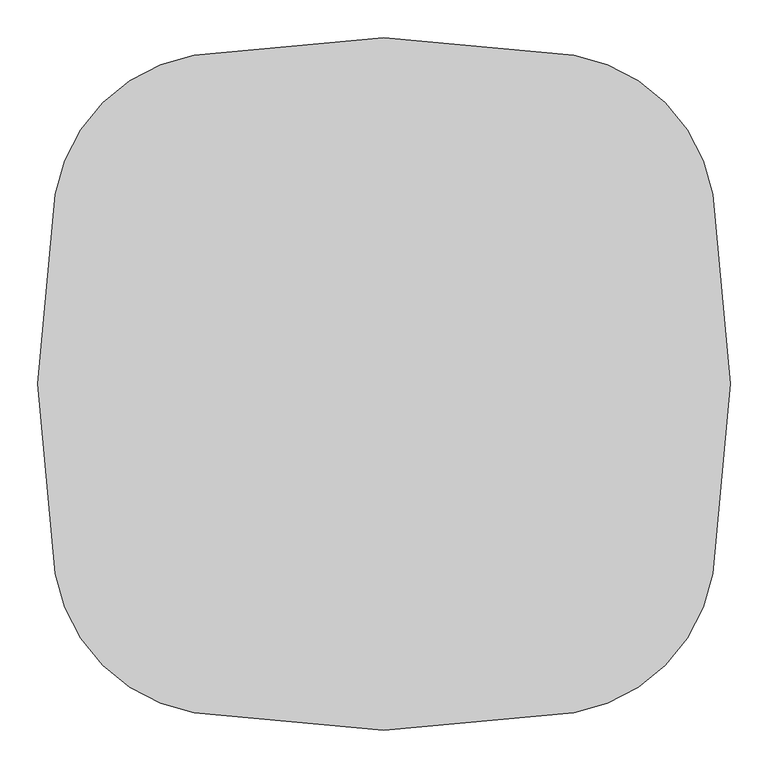
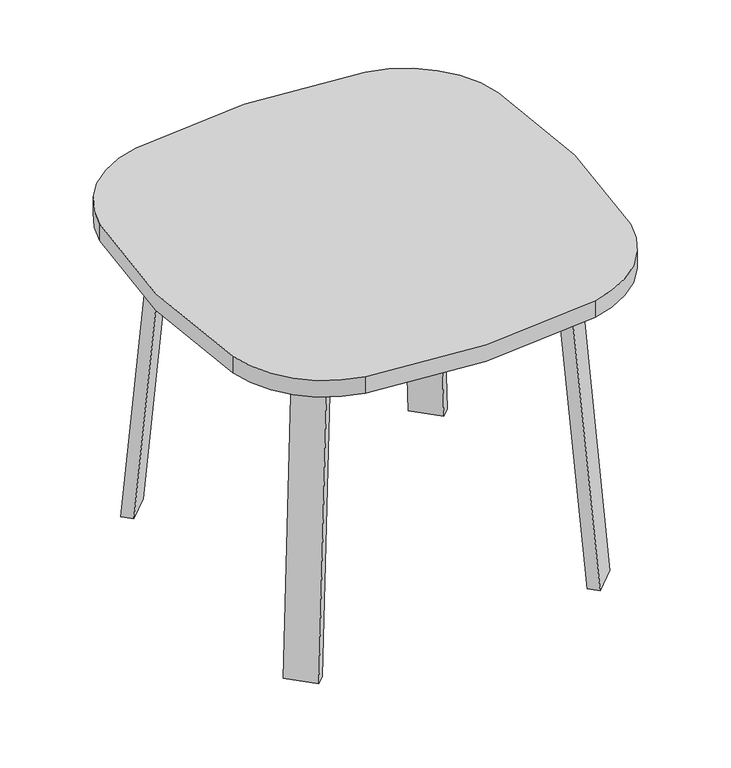
"""IFC4 building model written with IfcOpenShell, lengths in millimetres: furniture geometry."""

import ifcopenshell
import ifcopenshell.guid

model = None  # the IFC model being written
_history = None  # IfcOwnerHistory: only IFC2X3 demands one
_inside = {}  # id of a spatial element -> (the spatial element, [elements in it])
_under = {}  # id of a project, library or spatial element -> (it, [spatial elements below it])
_declared = {}  # id of a project -> (the project, [libraries it declares])
_typed = {}  # id of a type object -> (the type object, [elements of that type])
_made_of = {}  # id of a material, layer set ... -> (it, [elements and type objects made of it])


def new_model(schema):
    """Start an empty IFC model of exactly this schema.

    Asked for "IFC4X3", IfcOpenShell would pick the latest addendum, in which some entities
    have other attributes; the version numbers below select the first issue.
    IFC2X3 requires an IfcOwnerHistory on every rooted entity: one is made here for all.
    """
    global model, _history
    if schema == "IFC4X3":
        model = ifcopenshell.file(schema_version=(4, 3, 0, 0))
    else:
        model = ifcopenshell.file(schema=schema)
    _inside.clear()
    _under.clear()
    _declared.clear()
    _typed.clear()
    _made_of.clear()
    _history = None
    if model.schema == "IFC2X3":
        org = make("IfcOrganization", Name="unknown")
        user = make(
            "IfcPersonAndOrganization",
            ThePerson=make("IfcPerson", FamilyName="unknown"),
            TheOrganization=org,
        )
        app = make(
            "IfcApplication",
            ApplicationDeveloper=org,
            Version="unknown",
            ApplicationFullName="unknown",
            ApplicationIdentifier="unknown",
        )
        _history = make(
            "IfcOwnerHistory",
            OwningUser=user,
            OwningApplication=app,
            ChangeAction="ADDED",
            CreationDate=0,
        )
    return model


def make(cls, **values):
    """One entity of the class cls with the attributes given. An attribute that is None is left unset."""
    return model.create_entity(
        cls, **{name: value for name, value in values.items() if value is not None}
    )


def rooted(cls, **values):
    """An entity with a GlobalId (a new one), such as an element, a storey or a relation."""
    return make(cls, GlobalId=ifcopenshell.guid.new(), OwnerHistory=_history, **values)


def si_unit(unit_type, name, prefix=None):
    """IfcSIUnit, for example si_unit("LENGTHUNIT", "METRE", prefix="MILLI")."""
    return make("IfcSIUnit", UnitType=unit_type, Prefix=prefix, Name=name)


def assignment(units):
    """IfcUnitAssignment: the units of a project."""
    return None if units is None else make("IfcUnitAssignment", Units=units)


def point(xyz):
    """IfcCartesianPoint."""
    return None if xyz is None else make("IfcCartesianPoint", Coordinates=xyz)


def direction(xyz):
    """IfcDirection."""
    return None if xyz is None else make("IfcDirection", DirectionRatios=xyz)


def frame(location, z_axis=None, x_axis=None):
    """IfcAxis2Placement3D, a coordinate frame: its origin and axes. An axis left out is left unset."""
    return make(
        "IfcAxis2Placement3D",
        Location=point(location),
        Axis=direction(z_axis),
        RefDirection=direction(x_axis),
    )


def frame_2d(location, x_axis=None):
    """IfcAxis2Placement2D, a coordinate frame in the plane: its origin and x axis."""
    return make(
        "IfcAxis2Placement2D", Location=point(location), RefDirection=direction(x_axis)
    )


def origin():
    """The frame at (0, 0, 0) with its axes left unset."""
    return frame((0.0, 0.0, 0.0))


def place(relative_to, where):
    """IfcLocalPlacement: puts the frame where relative to a parent placement (None: the world)."""
    return make(
        "IfcLocalPlacement", PlacementRelTo=relative_to, RelativePlacement=where
    )


def context(
    kind, dimensions, precision=None, world=None, true_north=None, identifier=None
):
    """IfcGeometricRepresentationContext, for example the 3D "Model" context."""
    return make(
        "IfcGeometricRepresentationContext",
        ContextIdentifier=identifier,
        ContextType=kind,
        CoordinateSpaceDimension=dimensions,
        Precision=precision,
        WorldCoordinateSystem=world,
        TrueNorth=true_north,
    )


def project(units=None, contexts=None):
    """IfcProject with its units and contexts."""
    return rooted(
        "IfcProject",
        Name="project",
        RepresentationContexts=contexts,
        UnitsInContext=assignment(units),
    )


def spatial(cls, under=None, at=None, **own):
    """A site, building, storey or space (cls), placed at a placement, below another one or the project."""
    s = rooted(cls, ObjectPlacement=at, **own)
    if under is not None:
        _under.setdefault(under.id(), (under, []))[1].append(s)
    return s


def polyline(points):
    """IfcPolyline through the points."""
    return make("IfcPolyline", Points=[point(p) for p in points])


def circle_curve(where, radius):
    """IfcCircle in the frame where."""
    return make("IfcCircle", Position=where, Radius=radius)


def trimmed(basis, trim1, trim2, sense, master):
    """IfcTrimmedCurve: the piece of a basis curve between two trims."""
    return make(
        "IfcTrimmedCurve",
        BasisCurve=basis,
        Trim1=trim1,
        Trim2=trim2,
        SenseAgreement=sense,
        MasterRepresentation=master,
    )


def segment(curve, same_sense, transition):
    """IfcCompositeCurveSegment."""
    return make(
        "IfcCompositeCurveSegment",
        Transition=transition,
        SameSense=same_sense,
        ParentCurve=curve,
    )


def composite_curve(segments, self_intersect=None):
    """IfcCompositeCurve: segments joined end to end."""
    return make("IfcCompositeCurve", Segments=segments, SelfIntersect=self_intersect)


def outline(outer, holes=None, kind="AREA"):
    """IfcArbitraryClosedProfileDef: a profile drawn as a closed curve; with holes, ...WithVoids."""
    if holes is None:
        return make("IfcArbitraryClosedProfileDef", ProfileType=kind, OuterCurve=outer)
    return make(
        "IfcArbitraryProfileDefWithVoids",
        ProfileType=kind,
        OuterCurve=outer,
        InnerCurves=holes,
    )


def extrude(swept, where, along, depth):
    """IfcExtrudedAreaSolid: the profile swept, set in the frame where, extruded along a direction by depth."""
    return make(
        "IfcExtrudedAreaSolid",
        SweptArea=swept,
        Position=where,
        ExtrudedDirection=direction(along),
        Depth=depth,
    )


def faces_of(points, faces, orient=None, outer=None):
    """IfcFace entities. A face is a list of loops; a loop is a list of indices into points, from 0.

    orient and outer hold one flag for each loop. By default every Orientation is true, the
    first loop of a face is its IfcFaceOuterBound and the others are IfcFaceBound.
    """
    made = []
    for i, loops in enumerate(faces):
        bounds = []
        for j, loop in enumerate(loops):
            is_outer = j == 0 if outer is None else outer[i][j]
            bounds.append(
                make(
                    "IfcFaceOuterBound" if is_outer else "IfcFaceBound",
                    Bound=make("IfcPolyLoop", Polygon=[points[k] for k in loop]),
                    Orientation=True if orient is None else orient[i][j],
                )
            )
        made.append(make("IfcFace", Bounds=bounds))
    return made


def faceted_brep(points, faces, orient=None, outer=None, voids=None):
    """IfcFacetedBrep: a solid bounded by flat faces; with voids (closed shells), ...WithVoids."""
    shared = [point(p) for p in points]
    hull = make("IfcClosedShell", CfsFaces=faces_of(shared, faces, orient, outer))
    if voids is None:
        return make("IfcFacetedBrep", Outer=hull)
    return make(
        "IfcFacetedBrepWithVoids",
        Outer=hull,
        Voids=[
            make(cls, CfsFaces=faces_of(shared, fs, o, b)) for cls, fs, o, b in voids
        ],
    )


def shape(context_of_items, identifier, shape_type, items):
    """IfcShapeRepresentation: the items that make up one representation, for example the "Body"."""
    return make(
        "IfcShapeRepresentation",
        ContextOfItems=context_of_items,
        RepresentationIdentifier=identifier,
        RepresentationType=shape_type,
        Items=items,
    )


def source(mapping_origin, context_of_items, identifier, shape_type, items):
    """IfcRepresentationMap: a shape defined once, which mapped items show again and again."""
    return make(
        "IfcRepresentationMap",
        MappingOrigin=mapping_origin,
        MappedRepresentation=shape(context_of_items, identifier, shape_type, items),
    )


def transform(
    local_origin,
    x_axis=None,
    y_axis=None,
    z_axis=None,
    scale=None,
    scale2=None,
    scale3=None,
    uniform=True,
):
    """IfcCartesianTransformationOperator3D, or its non-uniform kind. x_axis, y_axis, z_axis: its Axis1, 2, 3."""
    if uniform:
        return make(
            "IfcCartesianTransformationOperator3D",
            Axis1=direction(x_axis),
            Axis2=direction(y_axis),
            LocalOrigin=point(local_origin),
            Scale=scale,
            Axis3=direction(z_axis),
        )
    return make(
        "IfcCartesianTransformationOperator3DnonUniform",
        Axis1=direction(x_axis),
        Axis2=direction(y_axis),
        LocalOrigin=point(local_origin),
        Scale=scale,
        Axis3=direction(z_axis),
        Scale2=scale2,
        Scale3=scale3,
    )


def mapped(mapping_source, mapping_target):
    """IfcMappedItem: shows the shape of a source again, moved by a transform."""
    return make(
        "IfcMappedItem", MappingSource=mapping_source, MappingTarget=mapping_target
    )


def made_of(thing, what):
    """Note that an element or type object is made of a material, layer set ...; save() writes the relation."""
    if what is not None:
        _made_of.setdefault(what.id(), (what, []))[1].append(thing)
    return thing


def element(
    cls,
    number,
    at=None,
    inside=None,
    cuts=None,
    type_object=None,
    material=None,
    context=None,
    identifier="Body",
    shape_type=None,
    held_by="IfcProductDefinitionShape",
    body=None,
    shapes=None,
    **own,
):
    """One element of the class cls, such as IfcWall. Its Tag is "e" and its number.

    at: its placement. inside: the storey or other place that contains it. cuts: it is an
    opening in that element (IfcRelVoidsElement). A single representation is given by context,
    identifier, shape_type and body (its items); several are given by shapes. held_by: the class
    of the entity that holds the representations. save() writes the other relations.
    """
    e = rooted(cls, Tag="e%d" % number, ObjectPlacement=at, **own)
    if body is not None:
        shapes = [shape(context, identifier, shape_type, body)]
    if shapes is not None:
        e.Representation = make(held_by, Representations=shapes)
    if inside is not None:
        _inside.setdefault(inside.id(), (inside, []))[1].append(e)
    if cuts is not None:
        rooted(
            "IfcRelVoidsElement", RelatingBuildingElement=cuts, RelatedOpeningElement=e
        )
    if type_object is not None:
        _typed.setdefault(type_object.id(), (type_object, []))[1].append(e)
    return made_of(e, material)


def aggregate(whole, parts):
    """IfcRelAggregates: a whole, such as a stair, and the parts it consists of."""
    return rooted("IfcRelAggregates", RelatingObject=whole, RelatedObjects=parts)


def save(model, path):
    """Write the relations noted so far, then the file.

    IfcRelAggregates (storeys below a building ...), IfcRelContainedInSpatialStructure (elements
    in a storey), IfcRelDefinesByType, IfcRelAssociatesMaterial and IfcRelDeclares: one each for
    every whole, place, type object, material and project.
    """
    for whole, parts in _under.values():
        aggregate(whole, parts)
    for where, things in _inside.values():
        rooted(
            "IfcRelContainedInSpatialStructure",
            RelatedElements=things,
            RelatingStructure=where,
        )
    for kind, things in _typed.values():
        rooted("IfcRelDefinesByType", RelatedObjects=things, RelatingType=kind)
    for what, things in _made_of.values():
        rooted("IfcRelAssociatesMaterial", RelatedObjects=things, RelatingMaterial=what)
    for by, libraries in _declared.values():
        rooted("IfcRelDeclares", RelatingContext=by, RelatedDefinitions=libraries)
    model.write(path)


def furniture_1ceb8957(model_context):
    return source(origin(), model_context, "Body", "SolidModel", [
        extrude(outline(composite_curve([segment(trimmed(circle_curve(frame_2d((-939.8, 0.0)), 1397.0), [point((434.5292545, 250.6553415))], [point((434.5292545, -250.6553415))], False, "CARTESIAN"), True, "CONTINUOUS"), segment(trimmed(circle_curve(frame_2d((209.6390129, -209.6390129)), 228.6), [point((434.5292545, -250.6553415))], [point((250.6553415, -434.5292545))], False, "CARTESIAN"), True, "CONTINUOUS"), segment(trimmed(circle_curve(frame_2d((0.0, 939.8)), 1397.0), [point((250.6553415, -434.5292545))], [point((-250.6553415, -434.5292545))], False, "CARTESIAN"), True, "CONTINUOUS"), segment(trimmed(circle_curve(frame_2d((-209.6390129, -209.6390129)), 228.6), [point((-250.6553415, -434.5292545))], [point((-434.5292545, -250.6553415))], False, "CARTESIAN"), True, "CONTINUOUS"), segment(trimmed(circle_curve(frame_2d((939.8, 0.0)), 1397.0), [point((-434.5292545, -250.6553415))], [point((-434.5292545, 250.6553415))], False, "CARTESIAN"), True, "CONTINUOUS"), segment(trimmed(circle_curve(frame_2d((-209.6390129, 209.6390129)), 228.6), [point((-434.5292545, 250.6553415))], [point((-250.6553415, 434.5292545))], False, "CARTESIAN"), True, "CONTINUOUS"), segment(trimmed(circle_curve(frame_2d((0.0, -939.8)), 1397.0), [point((-250.6553415, 434.5292545))], [point((250.6553415, 434.5292545))], False, "CARTESIAN"), True, "CONTINUOUS"), segment(trimmed(circle_curve(frame_2d((209.6390129, 209.6390129)), 228.6), [point((250.6553415, 434.5292545))], [point((434.5292545, 250.6553415))], False, "CARTESIAN"), True, "CONTINUOUS")], self_intersect=False)), frame((0.0, 0.0, 698.5), z_axis=(0.0, 0.0, 1.0), x_axis=(1.0, 0.0, 0.0)), (0.0, 0.0, 1.0), 38.1),
        faceted_brep([(125.9573355, -250.9740831, 695.325), (165.4704624, -211.4609562, 695.325), (220.5867843, -266.5772782, 695.325), (213.9451366, -273.2189259, 695.325), (152.8981038, -277.9148515, 695.325), (273.2189259, -213.9451366, 695.325), (267.2841162, -219.8799463, 695.325), (212.1677942, -164.7636244, 695.325), (251.6809212, -125.2504974, 695.325), (278.6216895, -152.1912658, 695.325), (125.9573355, -250.9740831, 698.5), (152.8981038, -277.9148515, 698.5), (213.9451366, -273.2189259, 698.5), (273.2189259, -213.9451366, 698.5), (278.6216895, -152.1912658, 698.5), (251.6809212, -125.2504974, 698.5), (220.5867843, -266.5772782, 673.1), (267.2841162, -219.8799463, 673.1), (175.6855037, -221.6759975, 673.1), (222.3828356, -174.9786657, 673.1)], [[[0, 1, 2, 3, 4]], [[5, 6, 7, 8, 9]], [[10, 11, 12, 13, 14, 15]], [[4, 11, 10, 0]], [[3, 12, 11, 4]], [[12, 3, 2, 16, 17, 6, 5, 13]], [[9, 14, 13, 5]], [[8, 15, 14, 9]], [[15, 8, 7, 1, 0, 10]], [[2, 1, 18, 16]], [[7, 6, 17, 19]], [[18, 19, 17, 16]], [[1, 7, 19, 18]]]),
        extrude(outline(composite_curve([segment(polyline([(-698.9257667, 0.0), (-704.4601563, 63.2583633), (-679.156811, 65.4721192), (-677.172355, 42.7896831)]), True, "CONTINUOUS"), segment(trimmed(circle_curve(frame_2d((-658.194846, 44.45)), 19.05), [point((-677.172355, 42.7896831))], [point((-658.194846, 25.4))], True, "CARTESIAN"), True, "CONTINUOUS"), segment(polyline([(-658.194846, 25.4), (0.0201778, 25.4), (2.2423899, 0.0), (-698.9257667, 0.0)]), True, "CONTINUOUS")], self_intersect=False)), frame((306.8612959, -356.2527046, 2.2338569), z_axis=(0.7071067811865512, 0.707106781186544, 0.0), x_axis=(0.06162841671622733, -0.06162841671621349, -0.9961946980917454)), (0.0, 0.0, 1.0), 69.85),
        faceted_brep([(125.9573355, 250.9740831, 695.325), (152.8981038, 277.9148515, 695.325), (213.9451366, 273.2189259, 695.325), (220.5867843, 266.5772782, 695.325), (165.4704624, 211.4609562, 695.325), (273.2189259, 213.9451366, 695.325), (278.6216895, 152.1912658, 695.325), (251.6809212, 125.2504974, 695.325), (212.1677942, 164.7636244, 695.325), (267.2841162, 219.8799463, 695.325), (125.9573355, 250.9740831, 698.5), (251.6809212, 125.2504974, 698.5), (278.6216895, 152.1912658, 698.5), (273.2189259, 213.9451366, 698.5), (213.9451366, 273.2189259, 698.5), (152.8981038, 277.9148515, 698.5), (267.2841162, 219.8799463, 673.1), (220.5867843, 266.5772782, 673.1), (175.6855037, 221.6759975, 673.1), (222.3828356, 174.9786657, 673.1)], [[[0, 1, 2, 3, 4]], [[5, 6, 7, 8, 9]], [[10, 11, 12, 13, 14, 15]], [[1, 0, 10, 15]], [[2, 1, 15, 14]], [[14, 13, 5, 9, 16, 17, 3, 2]], [[6, 5, 13, 12]], [[7, 6, 12, 11]], [[11, 10, 0, 4, 8, 7]], [[3, 17, 18, 4]], [[8, 19, 16, 9]], [[18, 17, 16, 19]], [[4, 18, 19, 8]]]),
        extrude(outline(composite_curve([segment(polyline([(698.9257667, 0.0), (704.4601563, -63.2583633), (679.156811, -65.4721192), (677.172355, -42.7896831)]), True, "CONTINUOUS"), segment(trimmed(circle_curve(frame_2d((658.194846, -44.45)), 19.05), [point((677.172355, -42.7896831))], [point((658.194846, -25.4))], True, "CARTESIAN"), True, "CONTINUOUS"), segment(polyline([(658.194846, -25.4), (-0.0201778, -25.4), (-2.2423899, 0.0), (698.9257667, 0.0)]), True, "CONTINUOUS")], self_intersect=False)), frame((356.2527046, 306.8612959, 2.2338569), z_axis=(-0.7071067811865512, 0.707106781186544, 0.0), x_axis=(-0.06162841671622733, -0.06162841671621349, 0.9961946980917454)), (0.0, 0.0, 1.0), 69.85),
        faceted_brep([(-125.9573355, 250.9740831, 695.325), (-165.4704624, 211.4609562, 695.325), (-220.5867843, 266.5772782, 695.325), (-213.9451366, 273.2189259, 695.325), (-152.8981038, 277.9148515, 695.325), (-273.2189259, 213.9451366, 695.325), (-267.2841162, 219.8799463, 695.325), (-212.1677942, 164.7636244, 695.325), (-251.6809212, 125.2504974, 695.325), (-278.6216895, 152.1912658, 695.325), (-125.9573355, 250.9740831, 698.5), (-152.8981038, 277.9148515, 698.5), (-213.9451366, 273.2189259, 698.5), (-273.2189259, 213.9451366, 698.5), (-278.6216895, 152.1912658, 698.5), (-251.6809212, 125.2504974, 698.5), (-220.5867843, 266.5772782, 673.1), (-267.2841162, 219.8799463, 673.1), (-175.6855037, 221.6759975, 673.1), (-222.3828356, 174.9786657, 673.1)], [[[0, 1, 2, 3, 4]], [[5, 6, 7, 8, 9]], [[10, 11, 12, 13, 14, 15]], [[4, 11, 10, 0]], [[3, 12, 11, 4]], [[12, 3, 2, 16, 17, 6, 5, 13]], [[9, 14, 13, 5]], [[8, 15, 14, 9]], [[15, 8, 7, 1, 0, 10]], [[2, 1, 18, 16]], [[7, 6, 17, 19]], [[18, 19, 17, 16]], [[1, 7, 19, 18]]]),
        extrude(outline(composite_curve([segment(polyline([(698.9257667, 0.0), (-2.2423899, 0.0), (-0.0201778, 25.4), (658.194846, 25.4)]), True, "CONTINUOUS"), segment(trimmed(circle_curve(frame_2d((658.194846, 44.45)), 19.05), [point((658.194846, 25.4))], [point((677.172355, 42.7896831))], True, "CARTESIAN"), True, "CONTINUOUS"), segment(polyline([(677.172355, 42.7896831), (679.156811, 65.4721192), (704.4601563, 63.2583633), (698.9257667, 0.0)]), True, "CONTINUOUS")], self_intersect=False)), frame((-356.2527046, 306.8612959, 2.2338569), z_axis=(0.7071067811865512, 0.707106781186544, 0.0), x_axis=(0.06162841671622733, -0.06162841671621349, 0.9961946980917454)), (0.0, 0.0, 1.0), 69.85),
        faceted_brep([(-125.9573355, -250.9740831, 695.325), (-152.8981038, -277.9148515, 695.325), (-213.9451366, -273.2189259, 695.325), (-220.5867843, -266.5772782, 695.325), (-165.4704624, -211.4609562, 695.325), (-273.2189259, -213.9451366, 695.325), (-278.6216895, -152.1912658, 695.325), (-251.6809212, -125.2504974, 695.325), (-212.1677942, -164.7636244, 695.325), (-267.2841162, -219.8799463, 695.325), (-125.9573355, -250.9740831, 698.5), (-251.6809212, -125.2504974, 698.5), (-278.6216895, -152.1912658, 698.5), (-273.2189259, -213.9451366, 698.5), (-213.9451366, -273.2189259, 698.5), (-152.8981038, -277.9148515, 698.5), (-267.2841162, -219.8799463, 673.1), (-220.5867843, -266.5772782, 673.1), (-175.6855037, -221.6759975, 673.1), (-222.3828356, -174.9786657, 673.1)], [[[0, 1, 2, 3, 4]], [[5, 6, 7, 8, 9]], [[10, 11, 12, 13, 14, 15]], [[1, 0, 10, 15]], [[2, 1, 15, 14]], [[14, 13, 5, 9, 16, 17, 3, 2]], [[6, 5, 13, 12]], [[7, 6, 12, 11]], [[11, 10, 0, 4, 8, 7]], [[3, 17, 18, 4]], [[8, 19, 16, 9]], [[18, 17, 16, 19]], [[4, 18, 19, 8]]]),
        extrude(outline(composite_curve([segment(polyline([(-698.9257667, 0.0), (2.2423899, 0.0), (0.0201778, -25.4), (-658.194846, -25.4)]), True, "CONTINUOUS"), segment(trimmed(circle_curve(frame_2d((-658.194846, -44.45)), 19.05), [point((-658.194846, -25.4))], [point((-677.172355, -42.7896831))], True, "CARTESIAN"), True, "CONTINUOUS"), segment(polyline([(-677.172355, -42.7896831), (-679.156811, -65.4721192), (-704.4601563, -63.2583633), (-698.9257667, 0.0)]), True, "CONTINUOUS")], self_intersect=False)), frame((-306.8612959, -356.2527046, 2.2338569), z_axis=(-0.7071067811865512, 0.707106781186544, 0.0), x_axis=(-0.06162841671622733, -0.06162841671621349, -0.9961946980917454)), (0.0, 0.0, 1.0), 69.85),
    ])


if __name__ == "__main__":
    model = new_model("IFC4")
    model_context = context("Model", 3, world=origin())
    ifc_project = project(units=[si_unit("LENGTHUNIT", "METRE", prefix="MILLI")], contexts=[model_context])
    site = spatial("IfcSite", under=ifc_project)
    building = spatial("IfcBuilding", under=site)
    placement = place(None, origin())
    furniture_shape = furniture_1ceb8957(model_context)
    element("IfcFurniture", 1, at=placement, inside=building, context=model_context, shape_type="MappedRepresentation", body=[
        mapped(furniture_shape, transform((0.0, 0.0, 0.0), x_axis=(1.0, 0.0, 0.0), y_axis=(0.0, 1.0, 0.0), z_axis=(0.0, 0.0, 1.0))),
    ])
    save(model, "model.ifc")
